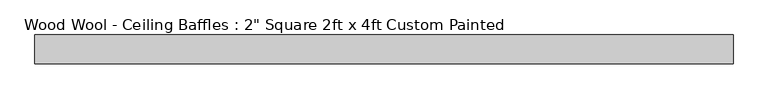
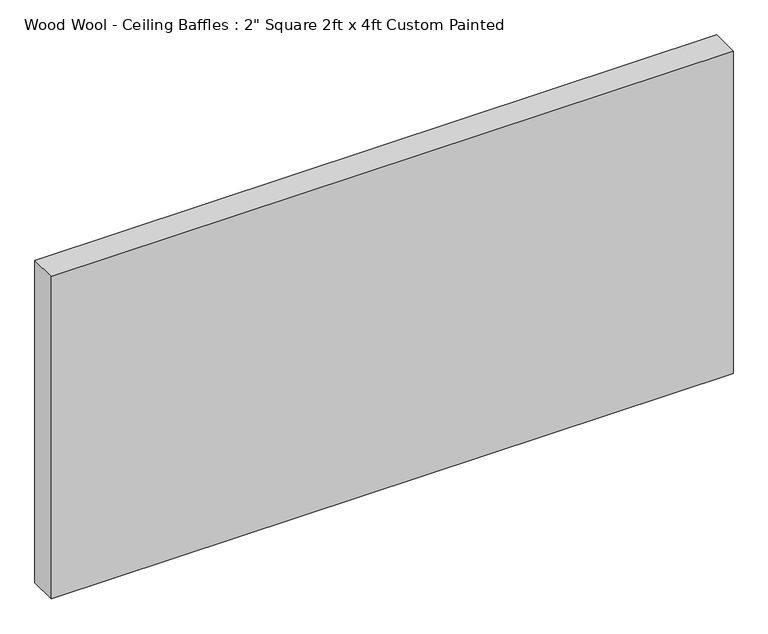
"""IFC4 building model written with IfcOpenShell, lengths in millimetres: proxy geometry."""

from ifc_helpers import new_model, si_unit, origin, origin_with_axes, place, context, project, spatial, polyline, outline, extrude, source, transform, mapped, element, save


def proxy_998ab8e6(model_context):
    return source(origin(), model_context, "Body", "SweptSolid", [
        extrude(outline(polyline([(609.6, -50.8), (-609.6, -50.8), (-609.6, 0.0), (609.6, 0.0), (609.6, -50.8)])), origin_with_axes(), (0.0, 0.0, 1.0), 609.6),
    ])


if __name__ == "__main__":
    model = new_model("IFC4")
    model_context = context("Model", 3, world=origin())
    ifc_project = project(units=[si_unit("LENGTHUNIT", "METRE", prefix="MILLI")], contexts=[model_context])
    site = spatial("IfcSite", under=ifc_project)
    building = spatial("IfcBuilding", under=site)
    placement = place(None, origin())
    proxy_shape = proxy_998ab8e6(model_context)
    element("IfcBuildingElementProxy", 1, Name="Wood Wool - Ceiling Baffles : 2\" Square 2ft x 4ft Custom Painted", ObjectType="Wood Wool - Ceiling Baffles : 2\" Square 2ft x 4ft Custom Painted", at=placement, inside=building, context=model_context, shape_type="MappedRepresentation", body=[
        mapped(proxy_shape, transform((0.0, 0.0, 0.0), x_axis=(1.0, 0.0, 0.0), y_axis=(0.0, 1.0, 0.0), z_axis=(0.0, 0.0, 1.0))),
    ])
    save(model, "model.ifc")
